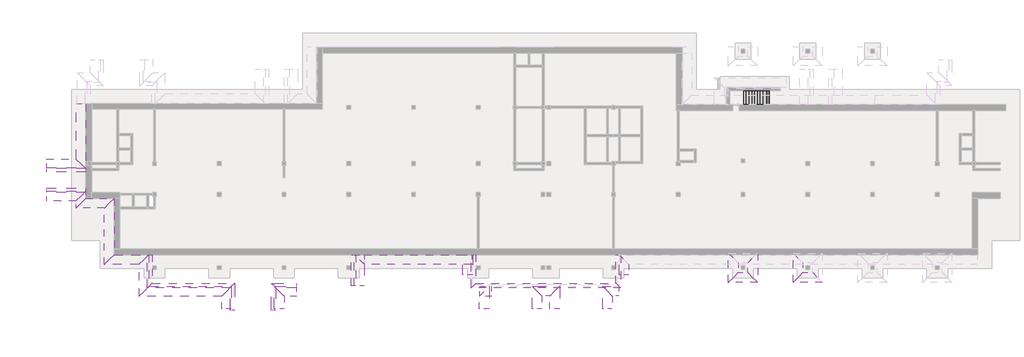
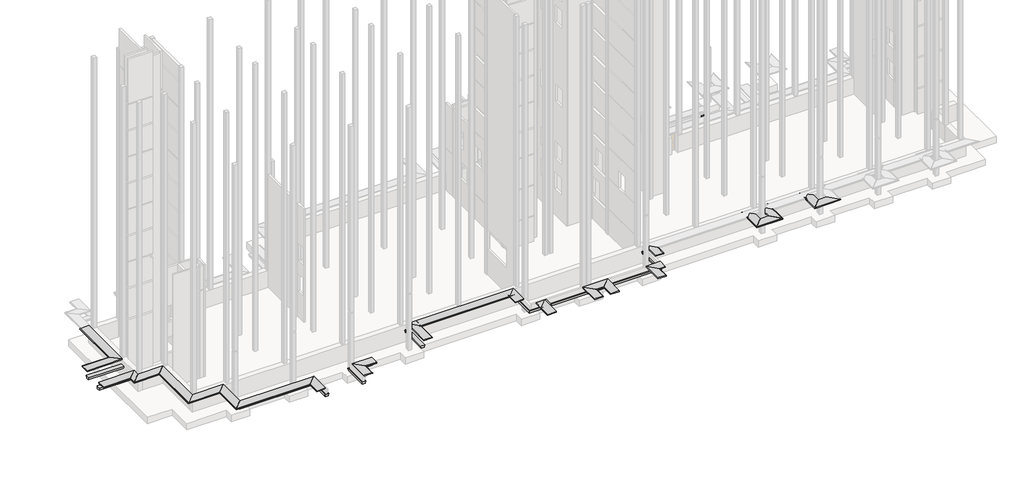
# One storey, part 7 of 9: 39 proxies, 1 stair flight.
"""IFC4 building model written with IfcOpenShell, lengths in millimetres."""

from ifc_helpers import new_model, si_unit, frame, origin, place, context, project, spatial, polyline, outline, extrude, faceted_brep, element, save

model = new_model("IFC4")

# Units and contexts
model_context = context("Model", 3, world=origin())
ifc_project = project(units=[si_unit("LENGTHUNIT", "METRE", prefix="MILLI")], contexts=[model_context])

# Site, building, storey
site = spatial("IfcSite", under=ifc_project)
building = spatial("IfcBuilding", under=site)
storey = spatial("IfcBuildingStorey", under=building, Elevation=-3300.0)

# Proxies
placement = place(None, origin())
element("IfcBuildingElementProxy", 1, Name="Wall Sweeps", at=placement, inside=storey, context=model_context, shape_type="Brep", body=[
    faceted_brep([(-46199.9887159, -10116.8920513, -1230.0), (-46239.9887159, -10156.8920513, -1230.0), (-46239.9887159, -10156.8920513, -1165.0), (-46227.4887159, -10144.3920513, -1143.3493649), (-46199.9887159, -10116.8920513, -1143.3493649), (-46199.9887159, -10116.8920513, -1150.0), (-45199.9887159, -9116.8920513, -1100.0), (-45199.9887159, -9116.8920513, -1230.0), (-46199.9887159, -16116.8920513, -1230.0), (-45199.9887159, -15116.8920513, -1230.0), (-45199.9887159, -15116.8920513, -1100.0), (-46199.9887159, -16116.8920513, -1150.0), (-46199.9887159, -16116.8920513, -1143.3493649), (-46227.4887159, -16144.3920513, -1143.3493649), (-46239.9887159, -16156.8920513, -1165.0), (-46239.9887159, -16156.8920513, -1230.0)], [[[0, 1, 2, 3, 4, 5, 6, 7]], [[8, 9, 10, 11, 12, 13, 14, 15]], [[1, 0, 8, 15]], [[2, 1, 15, 14]], [[3, 2, 14, 13]], [[4, 3, 13, 12]], [[5, 4, 12, 11]], [[6, 5, 11, 10]], [[7, 6, 10, 9]], [[0, 7, 9, 8]]]),
])
element("IfcBuildingElementProxy", 2, Name="Wall Sweeps", at=placement, inside=storey, context=model_context, shape_type="Brep", body=[
    faceted_brep([(-49199.9887159, -10116.8920513, -1230.0), (-49239.9887159, -10156.8920513, -1230.0), (-49239.9887159, -10156.8920513, -1165.0), (-49227.4887159, -10144.3920513, -1143.3493649), (-49199.9887159, -10116.8920513, -1143.3493649), (-49199.9887159, -10116.8920513, -1150.0), (-48199.9887159, -9116.8920513, -1100.0), (-48199.9887159, -9116.8920513, -1230.0), (-46199.9887159, -10116.8920513, -1230.0), (-45199.9887159, -9116.8920513, -1230.0), (-45199.9887159, -9116.8920513, -1100.0), (-46199.9887159, -10116.8920513, -1150.0), (-46199.9887159, -10116.8920513, -1143.3493649), (-46227.4887159, -10144.3920513, -1143.3493649), (-46239.9887159, -10156.8920513, -1165.0), (-46239.9887159, -10156.8920513, -1230.0)], [[[0, 1, 2, 3, 4, 5, 6, 7]], [[8, 9, 10, 11, 12, 13, 14, 15]], [[1, 0, 8, 15]], [[2, 1, 15, 14]], [[3, 2, 14, 13]], [[4, 3, 13, 12]], [[5, 4, 12, 11]], [[6, 5, 11, 10]], [[7, 6, 10, 9]], [[0, 7, 9, 8]]]),
])
element("IfcBuildingElementProxy", 3, Name="Wall Sweeps", at=placement, inside=storey, context=model_context, shape_type="Brep", body=[
    faceted_brep([(-42489.988716, -16116.8920513, -1230.0), (-41489.988716, -15116.8920513, -1230.0), (-41489.988716, -15116.8920513, -1100.0), (-42489.988716, -16116.8920513, -1150.0), (-42489.988716, -16116.8920513, -1143.3493649), (-42517.488716, -16144.3920513, -1143.3493649), (-42529.988716, -16156.8920513, -1165.0), (-42529.988716, -16156.8920513, -1230.0), (-46199.9887159, -16116.8920513, -1230.0), (-46239.9887159, -16156.8920513, -1230.0), (-46239.9887159, -16156.8920513, -1165.0), (-46227.4887159, -16144.3920513, -1143.3493649), (-46199.9887159, -16116.8920513, -1143.3493649), (-46199.9887159, -16116.8920513, -1150.0), (-45199.9887159, -15116.8920513, -1100.0), (-45199.9887159, -15116.8920513, -1230.0)], [[[0, 1, 2, 3, 4, 5, 6, 7]], [[8, 9, 10, 11, 12, 13, 14, 15]], [[1, 0, 8, 15]], [[2, 1, 15, 14]], [[3, 2, 14, 13]], [[4, 3, 13, 12]], [[5, 4, 12, 11]], [[6, 5, 11, 10]], [[7, 6, 10, 9]], [[0, 7, 9, 8]]]),
])
element("IfcBuildingElementProxy", 4, Name="Wall Sweeps", at=placement, inside=storey, context=model_context, shape_type="Brep", body=[
    faceted_brep([(-41139.988716, -15116.8920513, -1800.0), (-41214.988716, -15116.8920513, -2100.0), (-41564.988716, -15116.8920513, -2100.0), (-41639.988716, -15116.8920513, -1800.0), (-41489.988716, -15116.8920513, -1800.0), (-41289.988716, -15116.8920513, -1800.0), (-41139.988716, -18156.8920513, -1800.0), (-41639.988716, -18656.8920513, -1800.0), (-41564.988716, -18581.8920513, -2100.0), (-41214.988716, -18231.8920513, -2100.0)], [[[0, 1, 2, 3, 4, 5]], [[6, 7, 8, 9]], [[1, 0, 6, 9]], [[2, 1, 9, 8]], [[3, 2, 8, 7]], [[0, 5, 4, 3, 7, 6]]]),
])
element("IfcBuildingElementProxy", 5, Name="Wall Sweeps", at=placement, inside=storey, context=model_context, shape_type="Brep", body=[
    faceted_brep([(-42489.988716, -16116.8920513, -1230.0), (-42529.988716, -16156.8920513, -1230.0), (-42529.988716, -16156.8920513, -1165.0), (-42517.488716, -16144.3920513, -1143.3493649), (-42489.988716, -16116.8920513, -1143.3493649), (-42489.988716, -16116.8920513, -1150.0), (-41489.988716, -15116.8920513, -1100.0), (-41489.988716, -15116.8920513, -1230.0), (-42489.988716, -19506.8920513, -1230.0), (-41489.988716, -18506.8920513, -1230.0), (-41489.988716, -18506.8920513, -1100.0), (-42489.988716, -19506.8920513, -1150.0), (-42489.988716, -19506.8920513, -1143.3493649), (-42517.488716, -19534.3920513, -1143.3493649), (-42529.988716, -19546.8920513, -1165.0), (-42529.988716, -19546.8920513, -1230.0)], [[[0, 1, 2, 3, 4, 5, 6, 7]], [[8, 9, 10, 11, 12, 13, 14, 15]], [[1, 0, 8, 15]], [[2, 1, 15, 14]], [[3, 2, 14, 13]], [[4, 3, 13, 12]], [[5, 4, 12, 11]], [[6, 5, 11, 10]], [[7, 6, 10, 9]], [[0, 7, 9, 8]]]),
])
element("IfcBuildingElementProxy", 6, Name="Wall Sweeps", at=placement, inside=storey, context=model_context, shape_type="Brep", body=[
    faceted_brep([(-33689.9887159, -19506.8920513, -1230.0), (-33729.9887159, -19546.8920513, -1230.0), (-33729.9887159, -19546.8920513, -1165.0), (-33717.4887159, -19534.3920513, -1143.3493649), (-33689.9887159, -19506.8920513, -1143.3493649), (-33689.9887159, -19506.8920513, -1150.0), (-32689.9887159, -18506.8920513, -1100.0), (-32689.9887159, -18506.8920513, -1230.0), (-33689.9887159, -20906.8920513, -1230.0), (-32689.9887159, -20906.8920513, -1230.0), (-32689.9887159, -20906.8920513, -1200.0), (-32689.9887159, -20906.8920513, -1100.0), (-32799.9887159, -20906.8920513, -1105.5), (-33689.9887159, -20906.8920513, -1150.0), (-33689.9887159, -20906.8920513, -1143.3493649), (-33717.4887159, -20906.8920513, -1143.3493649), (-33729.9887159, -20906.8920513, -1165.0), (-33729.9887159, -20906.8920513, -1230.0)], [[[0, 1, 2, 3, 4, 5, 6, 7]], [[8, 9, 10, 11, 12, 13, 14, 15, 16, 17]], [[1, 0, 8, 17]], [[2, 1, 17, 16]], [[3, 2, 16, 15]], [[4, 3, 15, 14]], [[5, 4, 14, 13]], [[6, 5, 13, 12, 11]], [[7, 6, 11, 10, 9]], [[0, 7, 9, 8]]]),
])
element("IfcBuildingElementProxy", 7, Name="Wall Sweeps", at=placement, inside=storey, context=model_context, shape_type="Brep", body=[
    faceted_brep([(-27109.9887159, -19506.8920513, -1230.0), (-28109.9887159, -18506.8920513, -1230.0), (-28109.9887159, -18506.8920513, -1100.0), (-27109.9887159, -19506.8920513, -1150.0), (-27109.9887159, -19506.8920513, -1143.3493649), (-27082.4887159, -19534.3920513, -1143.3493649), (-27069.9887159, -19546.8920513, -1165.0), (-27069.9887159, -19546.8920513, -1230.0), (-27109.9887159, -20906.8920513, -1230.0), (-27069.9887159, -20906.8920513, -1230.0), (-27069.9887159, -20906.8920513, -1165.0), (-27082.4887159, -20906.8920513, -1143.3493649), (-27109.9887159, -20906.8920513, -1143.3493649), (-27109.9887159, -20906.8920513, -1150.0), (-27999.9887159, -20906.8920513, -1105.5), (-28109.9887159, -20906.8920513, -1100.0), (-28109.9887159, -20906.8920513, -1200.0), (-28109.9887159, -20906.8920513, -1230.0)], [[[0, 1, 2, 3, 4, 5, 6, 7]], [[8, 9, 10, 11, 12, 13, 14, 15, 16, 17]], [[1, 0, 8, 17]], [[2, 1, 17, 16, 15]], [[3, 2, 15, 14, 13]], [[4, 3, 13, 12]], [[5, 4, 12, 11]], [[6, 5, 11, 10]], [[7, 6, 10, 9]], [[0, 7, 9, 8]]]),
])
element("IfcBuildingElementProxy", 8, Name="Wall Sweeps", at=placement, inside=storey, context=model_context, shape_type="Brep", body=[
    faceted_brep([(-6639.988716, -15116.8920513, -1800.0), (-6714.988716, -15116.8920513, -2100.0), (-7064.988716, -15116.8920513, -2100.0), (-7139.988716, -15116.8920513, -1800.0), (-6989.988716, -15116.8920513, -1800.0), (-6789.988716, -15116.8920513, -1800.0), (-6639.988716, -18156.8920513, -1800.0), (-7139.988716, -18656.8920513, -1800.0), (-7064.988716, -18581.8920513, -2100.0), (-6714.988716, -18231.8920513, -2100.0)], [[[0, 1, 2, 3, 4, 5]], [[6, 7, 8, 9]], [[1, 0, 6, 9]], [[2, 1, 9, 8]], [[3, 2, 8, 7]], [[0, 5, 4, 3, 7, 6]]]),
])
element("IfcBuildingElementProxy", 9, Name="Wall Sweeps", at=placement, inside=storey, context=model_context, shape_type="Brep", body=[
    faceted_brep([(-6639.988716, -18156.8920513, -1800.0), (-6714.988716, -18231.8920513, -2100.0), (-7064.988716, -18581.8920513, -2100.0), (-7139.988716, -18656.8920513, -1800.0), (8260.0112842, -18156.8920513, -1800.0), (8760.0112842, -18656.8920513, -1800.0), (8685.0112842, -18581.8920513, -2100.0), (8335.0112842, -18231.8920513, -2100.0)], [[[0, 1, 2, 3]], [[4, 5, 6, 7]], [[1, 0, 4, 7]], [[2, 1, 7, 6]], [[3, 2, 6, 5]], [[0, 3, 5, 4]]]),
])
element("IfcBuildingElementProxy", 10, Name="Wall Sweeps", at=placement, inside=storey, context=model_context, shape_type="Brep", body=[
    faceted_brep([(8260.0112842, -15116.8920513, -1800.0), (8410.0112842, -15116.8920513, -1800.0), (8610.0112842, -15116.8920513, -1800.0), (8760.0112842, -15116.8920513, -1800.0), (8685.0112842, -15116.8920513, -2100.0), (8335.0112842, -15116.8920513, -2100.0), (8260.0112842, -18156.8920513, -1800.0), (8335.0112842, -18231.8920513, -2100.0), (8685.0112842, -18581.8920513, -2100.0), (8760.0112842, -18656.8920513, -1800.0)], [[[0, 1, 2, 3, 4, 5]], [[6, 7, 8, 9]], [[0, 5, 7, 6]], [[5, 4, 8, 7]], [[4, 3, 9, 8]], [[3, 2, 1, 0, 6, 9]]]),
])
element("IfcBuildingElementProxy", 11, Name="Wall Sweeps", at=placement, inside=storey, context=model_context, shape_type="Brep", body=[
    faceted_brep([(-7989.988716, -15116.8920513, -1230.0), (-8029.988716, -15116.8920513, -1230.0), (-8029.988716, -15116.8920513, -1165.0), (-8017.488716, -15116.8920513, -1143.3493649), (-7989.988716, -15116.8920513, -1143.3493649), (-7989.988716, -15116.8920513, -1150.0), (-7099.988716, -15116.8920513, -1105.5), (-6989.988716, -15116.8920513, -1100.0), (-6989.988716, -15116.8920513, -1200.0), (-6989.988716, -15116.8920513, -1230.0), (-7989.988716, -17296.8920513, -1230.0), (-6989.988716, -17296.8920513, -1230.0), (-6989.988716, -17296.8920513, -1200.0), (-6989.988716, -17296.8920513, -1100.0), (-7099.988716, -17296.8920513, -1105.5), (-7989.988716, -17296.8920513, -1150.0), (-7989.988716, -17296.8920513, -1143.3493649), (-8017.488716, -17296.8920513, -1143.3493649), (-8029.988716, -17296.8920513, -1165.0), (-8029.988716, -17296.8920513, -1230.0)], [[[0, 1, 2, 3, 4, 5, 6, 7, 8, 9]], [[10, 11, 12, 13, 14, 15, 16, 17, 18, 19]], [[1, 0, 10, 19]], [[2, 1, 19, 18]], [[3, 2, 18, 17]], [[4, 3, 17, 16]], [[5, 4, 16, 15]], [[7, 6, 5, 15, 14, 13]], [[9, 8, 7, 13, 12, 11]], [[0, 9, 11, 10]]]),
])
element("IfcBuildingElementProxy", 12, Name="Wall Sweeps", at=placement, inside=storey, context=model_context, shape_type="Brep", body=[
    faceted_brep([(-7099.988716, -16116.8920513, -1230.0), (-7099.988716, -15116.8920513, -1230.0), (-7099.988716, -15116.8920513, -1200.0), (-7099.988716, -15116.8920513, -1100.0), (-7099.988716, -16116.8920513, -1150.0), (-7099.988716, -16116.8920513, -1143.3493649), (-7099.988716, -16144.3920513, -1143.3493649), (-7099.988716, -16156.8920513, -1165.0), (-7099.988716, -16156.8920513, -1230.0), (-18549.9887159, -16116.8920513, -1230.0), (-18549.9887159, -15116.8920513, -1230.0), (-18549.9887159, -15116.8920513, -1165.0), (-18562.4887159, -15116.8920513, -1143.3493649), (-18589.9887159, -15116.8920513, -1143.3493649), (-18589.9887159, -15116.8920513, -1150.0), (-19479.9887159, -15116.8920513, -1105.5), (-19479.9887159, -15116.8920513, -1100.0), (-19479.9887159, -15226.8920513, -1105.5), (-18589.9887159, -16116.8920513, -1150.0), (-18589.9887159, -15983.8793495, -1143.3493649), (-18562.4887159, -15983.8793495, -1143.3493649), (-18558.6489699, -16116.8920513, -1150.0), (-18562.4887159, -16116.8920513, -1143.3493649), (-18562.4887159, -16144.3920513, -1143.3493649), (-18549.9887159, -16156.8920513, -1165.0), (-18549.9887159, -16156.8920513, -1230.0)], [[[0, 1, 2, 3, 4, 5, 6, 7, 8]], [[1, 0, 9, 10]], [[3, 2, 1, 10, 11, 12, 13, 14, 15, 16]], [[4, 3, 16, 17, 18, 19, 20, 21]], [[5, 4, 21, 22]], [[6, 5, 22, 23]], [[7, 6, 23, 24]], [[8, 7, 24, 25]], [[0, 8, 25, 9]], [[16, 15, 17]], [[24, 11, 10, 9, 25]], [[11, 24, 23, 22, 21, 20, 12]], [[12, 20, 19, 13]], [[18, 14, 13, 19]], [[14, 18, 17, 15]]]),
    faceted_brep([(-18723.0014178, -16116.8920513, -1143.3493649), (-18589.9887159, -16116.8920513, -1143.3493649), (-18589.9887159, -16116.8920513, -1150.0), (-18723.0014178, -16144.3920513, -1143.3493649), (-18589.9887159, -16144.3920513, -1143.3493649), (-18589.9887159, -16148.2317973, -1150.0)], [[[0, 1, 2]], [[1, 0, 3, 4]], [[4, 3, 5]], [[5, 2, 1, 4]], [[2, 5, 3, 0]]]),
])
element("IfcBuildingElementProxy", 13, Name="Wall Sweeps", at=placement, inside=storey, context=model_context, shape_type="Brep", body=[
    faceted_brep([(9610.0112841, -17296.8920513, -1230.0), (9650.0112841, -17296.8920513, -1230.0), (9650.0112841, -17296.8920513, -1165.0), (9637.5112841, -17296.8920513, -1143.3493649), (9610.0112841, -17296.8920513, -1143.3493649), (9610.0112841, -17296.8920513, -1150.0), (8720.0112841, -17296.8920513, -1105.5), (8610.0112841, -17296.8920513, -1100.0), (8610.0112841, -17296.8920513, -1200.0), (8610.0112841, -17296.8920513, -1230.0), (9610.0112841, -16116.8920513, -1230.0), (8610.0112841, -15116.8920513, -1230.0), (8610.0112841, -15116.8920513, -1100.0), (9610.0112841, -16116.8920513, -1150.0), (9610.0112841, -16116.8920513, -1143.3493649), (9637.5112841, -16144.3920513, -1143.3493649), (9650.0112841, -16156.8920513, -1165.0), (9650.0112841, -16156.8920513, -1230.0)], [[[0, 1, 2, 3, 4, 5, 6, 7, 8, 9]], [[10, 11, 12, 13, 14, 15, 16, 17]], [[1, 0, 10, 17]], [[2, 1, 17, 16]], [[3, 2, 16, 15]], [[4, 3, 15, 14]], [[5, 4, 14, 13]], [[7, 6, 5, 13, 12]], [[9, 8, 7, 12, 11]], [[0, 9, 11, 10]]]),
])
element("IfcBuildingElementProxy", 14, Name="Wall Sweeps", at=placement, inside=storey, context=model_context, shape_type="SweptSolid", body=[
    extrude(outline(polyline([(-19506.8920513, -1230.0), (-19546.8920513, -1230.0), (-19546.8920513, -1165.0), (-19534.3920513, -1143.3493649), (-19506.8920513, -1143.3493649), (-19506.8920513, -1150.0), (-18506.8920513, -1100.0), (-18506.8920513, -1230.0), (-19506.8920513, -1230.0)])), frame((-6239.9887159, 0.0, 0.0), z_axis=(1.0, 0.0, 0.0), x_axis=(0.0, 1.0, 0.0)), (0.0, 0.0, 1.0), 1210.0),
])
element("IfcBuildingElementProxy", 15, Name="Wall Sweeps", at=placement, inside=storey, context=model_context, shape_type="Brep", body=[
    faceted_brep([(-6229.9887159, -19506.8920513, -1230.0), (-6269.9887159, -19546.8920513, -1230.0), (-6269.9887159, -19546.8920513, -1165.0), (-6257.4887159, -19534.3920513, -1143.3493649), (-6229.9887159, -19506.8920513, -1143.3493649), (-6229.9887159, -19506.8920513, -1150.0), (-5229.9887159, -18506.8920513, -1100.0), (-5229.9887159, -18506.8920513, -1230.0), (-6229.9887159, -20906.8920513, -1230.0), (-5229.9887159, -20906.8920513, -1230.0), (-5229.9887159, -20906.8920513, -1200.0), (-5229.9887159, -20906.8920513, -1100.0), (-5339.9887159, -20906.8920513, -1105.5), (-6229.9887159, -20906.8920513, -1150.0), (-6229.9887159, -20906.8920513, -1143.3493649), (-6257.4887159, -20906.8920513, -1143.3493649), (-6269.9887159, -20906.8920513, -1165.0), (-6269.9887159, -20906.8920513, -1230.0), (-5229.9887159, -18616.8920513, -1100.0)], [[[0, 1, 2, 3, 4, 5, 6, 7]], [[8, 9, 10, 11, 12, 13, 14, 15, 16, 17]], [[1, 0, 8, 17]], [[2, 1, 17, 16]], [[3, 2, 16, 15]], [[4, 3, 15, 14]], [[5, 4, 14, 13]], [[6, 5, 13, 12, 11, 18]], [[7, 6, 18, 11, 10, 9]], [[0, 7, 9, 8]]]),
])
element("IfcBuildingElementProxy", 16, Name="Wall Sweeps", at=placement, inside=storey, context=model_context, shape_type="Brep", body=[
    faceted_brep([(350.0112841, -19496.8920513, -1230.0), (-649.9887159, -18496.8920513, -1230.0), (-649.9887159, -18496.8920513, -1100.0), (350.0112841, -19496.8920513, -1150.0), (350.0112841, -19496.8920513, -1143.3493649), (377.5112841, -19524.3920513, -1143.3493649), (390.0112841, -19536.8920513, -1165.0), (390.0112841, -19536.8920513, -1230.0), (350.0112841, -20906.8920513, -1230.0), (390.0112841, -20906.8920513, -1230.0), (390.0112841, -20906.8920513, -1165.0), (377.5112841, -20906.8920513, -1143.3493649), (350.0112841, -20906.8920513, -1143.3493649), (350.0112841, -20906.8920513, -1150.0), (-539.9887159, -20906.8920513, -1105.5), (-649.9887159, -20906.8920513, -1100.0), (-649.9887159, -20906.8920513, -1200.0), (-649.9887159, -20906.8920513, -1230.0)], [[[0, 1, 2, 3, 4, 5, 6, 7]], [[8, 9, 10, 11, 12, 13, 14, 15, 16, 17]], [[1, 0, 8, 17]], [[2, 1, 17, 16, 15]], [[3, 2, 15, 14, 13]], [[4, 3, 13, 12]], [[5, 4, 12, 11]], [[6, 5, 11, 10]], [[7, 6, 10, 9]], [[0, 7, 9, 8]]]),
])
element("IfcBuildingElementProxy", 17, Name="Wall Sweeps", at=placement, inside=storey, context=model_context, shape_type="Brep", body=[
    faceted_brep([(350.0112841, -19496.8920513, -1230.0), (390.0112841, -19536.8920513, -1230.0), (390.0112841, -19536.8920513, -1165.0), (377.5112841, -19524.3920513, -1143.3493649), (350.0112841, -19496.8920513, -1143.3493649), (350.0112841, -19496.8920513, -1150.0), (-649.9887159, -18496.8920513, -1100.0), (-649.9887159, -18496.8920513, -1230.0), (1270.0112841, -19496.8920513, -1230.0), (2270.0112841, -18496.8920513, -1230.0), (2270.0112841, -18496.8920513, -1100.0), (1270.0112841, -19496.8920513, -1150.0), (1270.0112841, -19496.8920513, -1143.3493649), (1242.5112841, -19524.3920513, -1143.3493649), (1230.0112841, -19536.8920513, -1165.0), (1230.0112841, -19536.8920513, -1230.0), (-539.9887159, -18496.8920513, -1100.0)], [[[0, 1, 2, 3, 4, 5, 6, 7]], [[8, 9, 10, 11, 12, 13, 14, 15]], [[1, 0, 8, 15]], [[2, 1, 15, 14]], [[3, 2, 14, 13]], [[4, 3, 13, 12]], [[5, 4, 12, 11]], [[6, 5, 11, 10, 16]], [[7, 6, 16, 10, 9]], [[0, 7, 9, 8]]]),
])
element("IfcBuildingElementProxy", 18, Name="Wall Sweeps", at=placement, inside=storey, context=model_context, shape_type="Brep", body=[
    faceted_brep([(7850.0112841, -19496.8920513, -1230.0), (7890.0112841, -19536.8920513, -1230.0), (7890.0112841, -19536.8920513, -1165.0), (7877.5112841, -19524.3920513, -1143.3493649), (7850.0112841, -19496.8920513, -1143.3493649), (7850.0112841, -19496.8920513, -1150.0), (6850.0112841, -18496.8920513, -1100.0), (6850.0112841, -18496.8920513, -1230.0), (8565.0112841, -19496.8920513, -1230.0), (8565.0112841, -18496.8920513, -1230.0), (8565.0112841, -18496.8920513, -1200.0), (8565.0112841, -18496.8920513, -1100.0), (8565.0112841, -18606.8920513, -1105.5), (8565.0112841, -19496.8920513, -1150.0), (8565.0112841, -19496.8920513, -1143.3493649), (8565.0112841, -19524.3920513, -1143.3493649), (8565.0112841, -19536.8920513, -1165.0), (8565.0112841, -19536.8920513, -1230.0)], [[[0, 1, 2, 3, 4, 5, 6, 7]], [[8, 9, 10, 11, 12, 13, 14, 15, 16, 17]], [[1, 0, 8, 17]], [[2, 1, 17, 16]], [[3, 2, 16, 15]], [[4, 3, 15, 14]], [[5, 4, 14, 13]], [[6, 5, 13, 12, 11]], [[7, 6, 11, 10, 9]], [[0, 7, 9, 8]]]),
])
element("IfcBuildingElementProxy", 19, Name="Wall Sweeps", at=placement, inside=storey, context=model_context, shape_type="Brep", body=[
    faceted_brep([(1270.0112841, -19496.8920513, -1230.0), (1230.0112841, -19536.8920513, -1230.0), (1230.0112841, -19536.8920513, -1165.0), (1242.5112841, -19524.3920513, -1143.3493649), (1270.0112841, -19496.8920513, -1143.3493649), (1270.0112841, -19496.8920513, -1150.0), (2270.0112841, -18496.8920513, -1100.0), (2270.0112841, -18496.8920513, -1230.0), (1270.0112841, -20906.8920513, -1230.0), (2270.0112841, -20906.8920513, -1230.0), (2270.0112841, -20906.8920513, -1200.0), (2270.0112841, -20906.8920513, -1100.0), (2160.0112841, -20906.8920513, -1105.5), (1270.0112841, -20906.8920513, -1150.0), (1270.0112841, -20906.8920513, -1143.3493649), (1242.5112841, -20906.8920513, -1143.3493649), (1230.0112841, -20906.8920513, -1165.0), (1230.0112841, -20906.8920513, -1230.0), (2270.0112841, -18606.8920513, -1100.0)], [[[0, 1, 2, 3, 4, 5, 6, 7]], [[8, 9, 10, 11, 12, 13, 14, 15, 16, 17]], [[1, 0, 8, 17]], [[2, 1, 17, 16]], [[3, 2, 16, 15]], [[4, 3, 15, 14]], [[5, 4, 14, 13]], [[6, 5, 13, 12, 11, 18]], [[7, 6, 18, 11, 10, 9]], [[0, 7, 9, 8]]]),
])
element("IfcBuildingElementProxy", 20, Name="Wall Sweeps", at=placement, inside=storey, context=model_context, shape_type="Brep", body=[
    faceted_brep([(7850.0112841, -19496.8920513, -1230.0), (6850.0112841, -18496.8920513, -1230.0), (6850.0112841, -18496.8920513, -1100.0), (7850.0112841, -19496.8920513, -1150.0), (7850.0112841, -19496.8920513, -1143.3493649), (7877.5112841, -19524.3920513, -1143.3493649), (7890.0112841, -19536.8920513, -1165.0), (7890.0112841, -19536.8920513, -1230.0), (7850.0112841, -20906.8920513, -1230.0), (7890.0112841, -20906.8920513, -1230.0), (7890.0112841, -20906.8920513, -1165.0), (7877.5112841, -20906.8920513, -1143.3493649), (7850.0112841, -20906.8920513, -1143.3493649), (7850.0112841, -20906.8920513, -1150.0), (6960.0112841, -20906.8920513, -1105.5), (6850.0112841, -20906.8920513, -1100.0), (6850.0112841, -20906.8920513, -1200.0), (6850.0112841, -20906.8920513, -1230.0), (6850.0112841, -18606.8920513, -1100.0)], [[[0, 1, 2, 3, 4, 5, 6, 7]], [[8, 9, 10, 11, 12, 13, 14, 15, 16, 17]], [[1, 0, 8, 17]], [[2, 1, 17, 16, 15, 18]], [[3, 2, 18, 15, 14, 13]], [[4, 3, 13, 12]], [[5, 4, 12, 11]], [[6, 5, 11, 10]], [[7, 6, 10, 9]], [[0, 7, 9, 8]]]),
])
element("IfcBuildingElementProxy", 21, Name="Wall Sweeps", at=placement, inside=storey, context=model_context, shape_type="Brep", body=[
    faceted_brep([(-32339.9887159, -18156.8920513, -1800.0), (-32414.9887159, -18231.8920513, -2100.0), (-32764.9887159, -18581.8920513, -2100.0), (-32839.9887159, -18656.8920513, -1800.0), (-32339.9887159, -21046.8920513, -1800.0), (-32489.9887159, -21046.8920513, -1800.0), (-32689.9887159, -21046.8920513, -1800.0), (-32839.9887159, -21046.8920513, -1800.0), (-32764.9887159, -21046.8920513, -2100.0), (-32414.9887159, -21046.8920513, -2100.0)], [[[0, 1, 2, 3]], [[4, 5, 6, 7, 8, 9]], [[1, 0, 4, 9]], [[2, 1, 9, 8]], [[3, 2, 8, 7]], [[0, 3, 7, 6, 5, 4]]]),
])
element("IfcBuildingElementProxy", 22, Name="Wall Sweeps", at=placement, inside=storey, context=model_context, shape_type="Brep", body=[
    faceted_brep([(-28459.9887159, -18156.8920513, -1800.0), (-27959.9887159, -18656.8920513, -1800.0), (-28034.9887159, -18581.8920513, -2100.0), (-28384.9887159, -18231.8920513, -2100.0), (-28459.9887159, -21046.8920513, -1800.0), (-28384.9887159, -21046.8920513, -2100.0), (-28034.9887159, -21046.8920513, -2100.0), (-27959.9887159, -21046.8920513, -1800.0), (-28109.9887159, -21046.8920513, -1800.0), (-28309.9887159, -21046.8920513, -1800.0)], [[[0, 1, 2, 3]], [[4, 5, 6, 7, 8, 9]], [[0, 3, 5, 4]], [[3, 2, 6, 5]], [[2, 1, 7, 6]], [[1, 0, 4, 9, 8, 7]]]),
])
element("IfcBuildingElementProxy", 23, Name="Wall Sweeps", at=placement, inside=storey, context=model_context, shape_type="Brep", body=[
    faceted_brep([(-42489.988716, -19506.8920513, -1230.0), (-42529.988716, -19546.8920513, -1230.0), (-42529.988716, -19546.8920513, -1165.0), (-42517.488716, -19534.3920513, -1143.3493649), (-42489.988716, -19506.8920513, -1143.3493649), (-42489.988716, -19506.8920513, -1150.0), (-41489.988716, -18506.8920513, -1100.0), (-41489.988716, -18506.8920513, -1230.0), (-33729.9887159, -19546.8920513, -1230.0), (-33689.9887159, -19506.8920513, -1230.0), (-32689.9887159, -18506.8920513, -1230.0), (-32689.9887159, -18506.8920513, -1200.0), (-32799.9887159, -18616.8920513, -1200.0), (-32799.9887159, -18616.8920513, -1105.5), (-33689.9887159, -19506.8920513, -1150.0), (-33689.9887159, -19506.8920513, -1143.3493649), (-33717.4887159, -19534.3920513, -1143.3493649), (-33729.9887159, -19546.8920513, -1165.0), (-32799.9887159, -18506.8920513, -1100.0), (-41289.988716, -18506.8920513, -1100.0), (-32799.9887159, -18506.8920513, -1200.0)], [[[0, 1, 2, 3, 4, 5, 6, 7]], [[8, 9, 10, 11, 12, 13, 14, 15, 16, 17]], [[1, 0, 9, 8]], [[2, 1, 8, 17]], [[3, 2, 17, 16]], [[4, 3, 16, 15]], [[5, 4, 15, 14]], [[6, 5, 14, 13, 18, 19]], [[7, 6, 19, 18, 20, 11, 10]], [[0, 7, 10, 9]], [[12, 20, 18, 13]], [[20, 12, 11]]]),
])
element("IfcBuildingElementProxy", 24, Name="Wall Sweeps", at=placement, inside=storey, context=model_context, shape_type="Brep", body=[
    faceted_brep([(-41139.988716, -18156.8920513, -1800.0), (-41214.988716, -18231.8920513, -2100.0), (-41564.988716, -18581.8920513, -2100.0), (-41639.988716, -18656.8920513, -1800.0), (-32339.9887159, -18156.8920513, -1800.0), (-32839.9887159, -18656.8920513, -1800.0), (-32764.9887159, -18581.8920513, -2100.0), (-32414.9887159, -18231.8920513, -2100.0)], [[[0, 1, 2, 3]], [[4, 5, 6, 7]], [[1, 0, 4, 7]], [[2, 1, 7, 6]], [[3, 2, 6, 5]], [[0, 3, 5, 4]]]),
])
element("IfcBuildingElementProxy", 25, Name="Wall Sweeps", at=placement, inside=storey, context=model_context, shape_type="Brep", body=[
    faceted_brep([(20300.0112841, -14996.8920513, -1230.0), (20260.0112841, -14956.8920513, -1230.0), (20260.0112841, -14956.8920513, -1165.0), (20272.5112841, -14969.3920513, -1143.3493649), (20300.0112841, -14996.8920513, -1143.3493649), (20300.0112841, -14996.8920513, -1150.0), (21300.0112841, -15996.8920513, -1100.0), (21300.0112841, -15996.8920513, -1230.0), (20300.0112841, -18016.8920513, -1230.0), (21300.0112841, -17016.8920513, -1230.0), (21300.0112841, -17016.8920513, -1100.0), (20300.0112841, -18016.8920513, -1150.0), (20300.0112841, -18016.8920513, -1143.3493649), (20272.5112841, -18044.3920513, -1143.3493649), (20260.0112841, -18056.8920513, -1165.0), (20260.0112841, -18056.8920513, -1230.0)], [[[0, 1, 2, 3, 4, 5, 6, 7]], [[8, 9, 10, 11, 12, 13, 14, 15]], [[1, 0, 8, 15]], [[2, 1, 15, 14]], [[3, 2, 14, 13]], [[4, 3, 13, 12]], [[5, 4, 12, 11]], [[6, 5, 11, 10]], [[7, 6, 10, 9]], [[0, 7, 9, 8]]]),
])
element("IfcBuildingElementProxy", 26, Name="Wall Sweeps", at=placement, inside=storey, context=model_context, shape_type="Brep", body=[
    faceted_brep([(23320.0112841, -18016.8920513, -1230.0), (22320.0112841, -17016.8920513, -1230.0), (22320.0112841, -17016.8920513, -1100.0), (23320.0112841, -18016.8920513, -1150.0), (23320.0112841, -18016.8920513, -1143.3493649), (23347.5112841, -18044.3920513, -1143.3493649), (23360.0112841, -18056.8920513, -1165.0), (23360.0112841, -18056.8920513, -1230.0), (20300.0112841, -18016.8920513, -1230.0), (20260.0112841, -18056.8920513, -1230.0), (20260.0112841, -18056.8920513, -1165.0), (20272.5112841, -18044.3920513, -1143.3493649), (20300.0112841, -18016.8920513, -1143.3493649), (20300.0112841, -18016.8920513, -1150.0), (21300.0112841, -17016.8920513, -1100.0), (21300.0112841, -17016.8920513, -1230.0)], [[[0, 1, 2, 3, 4, 5, 6, 7]], [[8, 9, 10, 11, 12, 13, 14, 15]], [[1, 0, 8, 15]], [[2, 1, 15, 14]], [[3, 2, 14, 13]], [[4, 3, 13, 12]], [[5, 4, 12, 11]], [[6, 5, 11, 10]], [[7, 6, 10, 9]], [[0, 7, 9, 8]]]),
])
element("IfcBuildingElementProxy", 27, Name="Wall Sweeps", at=placement, inside=storey, context=model_context, shape_type="Brep", body=[
    faceted_brep([(23320.0112841, -14996.8920513, -1230.0), (22320.0112841, -15996.8920513, -1230.0), (22320.0112841, -15996.8920513, -1100.0), (23320.0112841, -14996.8920513, -1150.0), (23320.0112841, -14996.8920513, -1143.3493649), (23347.5112841, -14969.3920513, -1143.3493649), (23360.0112841, -14956.8920513, -1165.0), (23360.0112841, -14956.8920513, -1230.0), (23320.0112841, -18016.8920513, -1230.0), (23360.0112841, -18056.8920513, -1230.0), (23360.0112841, -18056.8920513, -1165.0), (23347.5112841, -18044.3920513, -1143.3493649), (23320.0112841, -18016.8920513, -1143.3493649), (23320.0112841, -18016.8920513, -1150.0), (22320.0112841, -17016.8920513, -1100.0), (22320.0112841, -17016.8920513, -1230.0)], [[[0, 1, 2, 3, 4, 5, 6, 7]], [[8, 9, 10, 11, 12, 13, 14, 15]], [[1, 0, 8, 15]], [[2, 1, 15, 14]], [[3, 2, 14, 13]], [[4, 3, 13, 12]], [[5, 4, 12, 11]], [[6, 5, 11, 10]], [[7, 6, 10, 9]], [[0, 7, 9, 8]]]),
])
element("IfcBuildingElementProxy", 28, Name="Wall Sweeps", at=placement, inside=storey, context=model_context, shape_type="Brep", body=[
    faceted_brep([(27200.0112841, -14996.8920513, -1230.0), (27160.0112841, -14956.8920513, -1230.0), (27160.0112841, -14956.8920513, -1165.0), (27172.5112841, -14969.3920513, -1143.3493649), (27200.0112841, -14996.8920513, -1143.3493649), (27200.0112841, -14996.8920513, -1150.0), (28200.0112841, -15996.8920513, -1100.0), (28200.0112841, -15996.8920513, -1230.0), (27200.0112841, -18016.8920513, -1230.0), (28200.0112841, -17016.8920513, -1230.0), (28200.0112841, -17016.8920513, -1100.0), (27200.0112841, -18016.8920513, -1150.0), (27200.0112841, -18016.8920513, -1143.3493649), (27172.5112841, -18044.3920513, -1143.3493649), (27160.0112841, -18056.8920513, -1165.0), (27160.0112841, -18056.8920513, -1230.0)], [[[0, 1, 2, 3, 4, 5, 6, 7]], [[8, 9, 10, 11, 12, 13, 14, 15]], [[1, 0, 8, 15]], [[2, 1, 15, 14]], [[3, 2, 14, 13]], [[4, 3, 13, 12]], [[5, 4, 12, 11]], [[6, 5, 11, 10]], [[7, 6, 10, 9]], [[0, 7, 9, 8]]]),
])
element("IfcBuildingElementProxy", 29, Name="Wall Sweeps", at=placement, inside=storey, context=model_context, shape_type="Brep", body=[
    faceted_brep([(30220.0112841, -18016.8920513, -1230.0), (29220.0112841, -17016.8920513, -1230.0), (29220.0112841, -17016.8920513, -1100.0), (30220.0112841, -18016.8920513, -1150.0), (30220.0112841, -18016.8920513, -1143.3493649), (30247.5112841, -18044.3920513, -1143.3493649), (30260.0112841, -18056.8920513, -1165.0), (30260.0112841, -18056.8920513, -1230.0), (27200.0112841, -18016.8920513, -1230.0), (27160.0112841, -18056.8920513, -1230.0), (27160.0112841, -18056.8920513, -1165.0), (27172.5112841, -18044.3920513, -1143.3493649), (27200.0112841, -18016.8920513, -1143.3493649), (27200.0112841, -18016.8920513, -1150.0), (28200.0112841, -17016.8920513, -1100.0), (28200.0112841, -17016.8920513, -1230.0)], [[[0, 1, 2, 3, 4, 5, 6, 7]], [[8, 9, 10, 11, 12, 13, 14, 15]], [[1, 0, 8, 15]], [[2, 1, 15, 14]], [[3, 2, 14, 13]], [[4, 3, 13, 12]], [[5, 4, 12, 11]], [[6, 5, 11, 10]], [[7, 6, 10, 9]], [[0, 7, 9, 8]]]),
])
element("IfcBuildingElementProxy", 30, Name="Wall Sweeps", at=placement, inside=storey, context=model_context, shape_type="Brep", body=[
    faceted_brep([(-18589.9887159, -18461.8920513, -1230.0), (-18549.9887159, -18461.8920513, -1230.0), (-18549.9887159, -18461.8920513, -1165.0), (-18562.4887159, -18461.8920513, -1143.3493649), (-18589.9887159, -18461.8920513, -1143.3493649), (-18589.9887159, -18461.8920513, -1150.0), (-19479.9887159, -18461.8920513, -1105.5), (-19589.9887159, -18461.8920513, -1100.0), (-19589.9887159, -18461.8920513, -1200.0), (-19589.9887159, -18461.8920513, -1230.0), (-18589.9887159, -15116.8920513, -1230.0), (-19589.9887159, -15116.8920513, -1230.0), (-19589.9887159, -15116.8920513, -1200.0), (-19589.9887159, -15116.8920513, -1100.0), (-19479.9887159, -15116.8920513, -1105.5), (-18589.9887159, -15116.8920513, -1150.0), (-18589.9887159, -15116.8920513, -1143.3493649), (-18562.4887159, -15116.8920513, -1143.3493649), (-18549.9887159, -15116.8920513, -1165.0), (-18549.9887159, -15116.8920513, -1230.0), (-18549.9887159, -16116.8920513, -1230.0), (-18549.9887159, -16156.8920513, -1230.0), (-18549.9887159, -16156.8920513, -1165.0), (-18562.4887159, -15983.8793495, -1143.3493649), (-18562.4887159, -16116.8920513, -1143.3493649), (-18562.4887159, -16144.3920513, -1143.3493649), (-18589.9887159, -15983.8793495, -1143.3493649), (-18589.9887159, -16116.8920513, -1143.3493649), (-18589.9887159, -16144.3920513, -1143.3493649), (-18589.9887159, -16148.2317973, -1150.0)], [[[0, 1, 2, 3, 4, 5, 6, 7, 8, 9]], [[10, 11, 12, 13, 14, 15, 16, 17, 18, 19]], [[1, 0, 10, 19, 20, 21]], [[2, 1, 21, 20, 19, 18, 22]], [[3, 2, 22, 18, 17, 23, 24, 25]], [[4, 3, 25, 24, 23, 17, 16, 26, 27, 28]], [[5, 4, 28, 27, 26, 16, 15, 29]], [[7, 6, 5, 29, 15, 14, 13]], [[9, 8, 7, 13, 12, 11]], [[0, 9, 11, 10]]]),
])
element("IfcBuildingElementProxy", 31, Name="Wall Sweeps", at=placement, inside=storey, context=model_context, shape_type="Brep", body=[
    faceted_brep([(-19939.9887159, -18461.8920513, -1800.0), (-19864.9887159, -18461.8920513, -2100.0), (-19514.9887159, -18461.8920513, -2100.0), (-19439.9887159, -18461.8920513, -1800.0), (-19589.9887159, -18461.8920513, -1800.0), (-19789.9887159, -18461.8920513, -1800.0), (-19939.9887159, -15116.8920513, -1800.0), (-19789.9887159, -15116.8920513, -1800.0), (-19589.9887159, -15116.8920513, -1800.0), (-19439.9887159, -15116.8920513, -1800.0), (-19514.9887159, -15116.8920513, -2100.0), (-19864.9887159, -15116.8920513, -2100.0)], [[[0, 1, 2, 3, 4, 5]], [[6, 7, 8, 9, 10, 11]], [[1, 0, 6, 11]], [[2, 1, 11, 10]], [[3, 2, 10, 9]], [[0, 5, 4, 3, 9, 8, 7, 6]]]),
])
element("IfcBuildingElementProxy", 32, Name="Wall Sweeps", at=placement, inside=storey, context=model_context, shape_type="Brep", body=[
    faceted_brep([(-49199.9887159, -4946.8920513, -1230.0), (-49239.9887159, -4906.8920513, -1230.0), (-49239.9887159, -4906.8920513, -1165.0), (-49227.4887159, -4919.3920513, -1143.3493649), (-49199.9887159, -4946.8920513, -1143.3493649), (-49199.9887159, -4946.8920513, -1150.0), (-48199.9887159, -5946.8920513, -1100.0), (-48199.9887159, -5946.8920513, -1230.0), (-52389.9887159, -4946.8920513, -1230.0), (-52389.9887159, -5946.8920513, -1230.0), (-52389.9887159, -5946.8920513, -1200.0), (-52389.9887159, -5946.8920513, -1100.0), (-52389.9887159, -5836.8920513, -1105.5), (-52389.9887159, -4946.8920513, -1150.0), (-52389.9887159, -4946.8920513, -1143.3493649), (-52389.9887159, -4919.3920513, -1143.3493649), (-52389.9887159, -4906.8920513, -1165.0), (-52389.9887159, -4906.8920513, -1230.0)], [[[0, 1, 2, 3, 4, 5, 6, 7]], [[8, 9, 10, 11, 12, 13, 14, 15, 16, 17]], [[0, 7, 9, 8]], [[7, 6, 11, 10, 9]], [[6, 5, 13, 12, 11]], [[5, 4, 14, 13]], [[4, 3, 15, 14]], [[3, 2, 16, 15]], [[2, 1, 17, 16]], [[1, 0, 8, 17]]]),
])
element("IfcBuildingElementProxy", 33, Name="Wall Sweeps", at=placement, inside=storey, context=model_context, shape_type="Brep", body=[
    faceted_brep([(-48199.9887159, -6296.8920513, -1800.0), (-48199.9887159, -6221.8920513, -2100.0), (-48199.9887159, -5871.8920513, -2100.0), (-48199.9887159, -5796.8920513, -1800.0), (-48199.9887159, -5946.8920513, -1800.0), (-48199.9887159, -6146.8920513, -1800.0), (-52389.9887159, -6296.8920513, -1800.0), (-52389.9887159, -6146.8920513, -1800.0), (-52389.9887159, -5946.8920513, -1800.0), (-52389.9887159, -5796.8920513, -1800.0), (-52389.9887159, -5871.8920513, -2100.0), (-52389.9887159, -6221.8920513, -2100.0)], [[[0, 1, 2, 3, 4, 5]], [[6, 7, 8, 9, 10, 11]], [[0, 5, 4, 3, 9, 8, 7, 6]], [[3, 2, 10, 9]], [[2, 1, 11, 10]], [[1, 0, 6, 11]]]),
])
element("IfcBuildingElementProxy", 34, Name="Wall Sweeps", at=placement, inside=storey, context=model_context, shape_type="Brep", body=[
    faceted_brep([(-49199.9887159, -9346.8920513, -1230.0), (-48199.9887159, -8346.8920513, -1230.0), (-48199.9887159, -8346.8920513, -1100.0), (-49199.9887159, -9346.8920513, -1150.0), (-49199.9887159, -9346.8920513, -1143.3493649), (-49227.4887159, -9374.3920513, -1143.3493649), (-49239.9887159, -9386.8920513, -1165.0), (-49239.9887159, -9386.8920513, -1230.0), (-52389.9887159, -9346.8920513, -1230.0), (-52389.9887159, -9386.8920513, -1230.0), (-52389.9887159, -9386.8920513, -1165.0), (-52389.9887159, -9374.3920513, -1143.3493649), (-52389.9887159, -9346.8920513, -1143.3493649), (-52389.9887159, -9346.8920513, -1150.0), (-52389.9887159, -8456.8920513, -1105.5), (-52389.9887159, -8346.8920513, -1100.0), (-52389.9887159, -8346.8920513, -1200.0), (-52389.9887159, -8346.8920513, -1230.0)], [[[0, 1, 2, 3, 4, 5, 6, 7]], [[8, 9, 10, 11, 12, 13, 14, 15, 16, 17]], [[1, 0, 8, 17]], [[2, 1, 17, 16, 15]], [[3, 2, 15, 14, 13]], [[4, 3, 13, 12]], [[5, 4, 12, 11]], [[6, 5, 11, 10]], [[7, 6, 10, 9]], [[0, 7, 9, 8]]]),
])
element("IfcBuildingElementProxy", 35, Name="Wall Sweeps", at=placement, inside=storey, context=model_context, shape_type="Brep", body=[
    faceted_brep([(-48199.9887159, -7996.8920513, -1800.0), (-48199.9887159, -8146.8920513, -1800.0), (-48199.9887159, -8346.8920513, -1800.0), (-48199.9887159, -8496.8920513, -1800.0), (-48199.9887159, -8421.8920513, -2100.0), (-48199.9887159, -8071.8920513, -2100.0), (-52389.9887159, -7996.8920513, -1800.0), (-52389.9887159, -8071.8920513, -2100.0), (-52389.9887159, -8421.8920513, -2100.0), (-52389.9887159, -8496.8920513, -1800.0), (-52389.9887159, -8346.8920513, -1800.0), (-52389.9887159, -8146.8920513, -1800.0)], [[[0, 1, 2, 3, 4, 5]], [[6, 7, 8, 9, 10, 11]], [[3, 2, 1, 0, 6, 11, 10, 9]], [[4, 3, 9, 8]], [[5, 4, 8, 7]], [[0, 5, 7, 6]]]),
])
element("IfcBuildingElementProxy", 36, Name="Wall Sweeps", at=placement, inside=storey, context=model_context, shape_type="Brep", body=[
    faceted_brep([(-49199.9887159, -4946.8920513, -1230.0), (-48199.9887159, -5946.8920513, -1230.0), (-48199.9887159, -5946.8920513, -1100.0), (-49199.9887159, -4946.8920513, -1150.0), (-49199.9887159, -4946.8920513, -1143.3493649), (-49227.4887159, -4919.3920513, -1143.3493649), (-49239.9887159, -4906.8920513, -1165.0), (-49239.9887159, -4906.8920513, -1230.0), (-49199.9887159, 1003.1079487, -1230.0), (-49239.9887159, 1003.1079487, -1230.0), (-49239.9887159, 1003.1079487, -1165.0), (-49227.4887159, 1003.1079487, -1143.3493649), (-49199.9887159, 1003.1079487, -1143.3493649), (-49199.9887159, 1003.1079487, -1150.0), (-48199.9887159, 1003.1079487, -1100.0), (-48199.9887159, 1003.1079487, -1200.0), (-48199.9887159, 1003.1079487, -1230.0), (-49089.9887159, 1003.1079487, -1230.0), (-49129.9887159, 1003.1079487, -1230.0)], [[[0, 1, 2, 3, 4, 5, 6, 7]], [[8, 9, 10, 11, 12, 13, 14, 15, 16, 17, 18]], [[1, 0, 8, 18, 17, 16]], [[2, 1, 16, 15, 14]], [[3, 2, 14, 13]], [[4, 3, 13, 12]], [[5, 4, 12, 11]], [[6, 5, 11, 10]], [[7, 6, 10, 9]], [[0, 7, 9, 8]]]),
])
element("IfcBuildingElementProxy", 37, Name="Wall Sweeps", at=placement, inside=storey, context=model_context, shape_type="Brep", body=[
    faceted_brep([(-49199.9887159, -10116.8920513, -1230.0), (-48199.9887159, -9116.8920513, -1230.0), (-48199.9887159, -9116.8920513, -1100.0), (-49199.9887159, -10116.8920513, -1150.0), (-49199.9887159, -10116.8920513, -1143.3493649), (-49227.4887159, -10144.3920513, -1143.3493649), (-49239.9887159, -10156.8920513, -1165.0), (-49239.9887159, -10156.8920513, -1230.0), (-49199.9887159, -9346.8920513, -1230.0), (-49239.9887159, -9386.8920513, -1230.0), (-49239.9887159, -9386.8920513, -1165.0), (-49227.4887159, -9374.3920513, -1143.3493649), (-49199.9887159, -9346.8920513, -1143.3493649), (-49199.9887159, -9346.8920513, -1150.0), (-48199.9887159, -8346.8920513, -1100.0), (-48199.9887159, -8346.8920513, -1230.0)], [[[0, 1, 2, 3, 4, 5, 6, 7]], [[8, 9, 10, 11, 12, 13, 14, 15]], [[0, 7, 9, 8]], [[7, 6, 10, 9]], [[6, 5, 11, 10]], [[5, 4, 12, 11]], [[4, 3, 13, 12]], [[3, 2, 14, 13]], [[2, 1, 15, 14]], [[1, 0, 8, 15]]]),
])
element("IfcBuildingElementProxy", 38, Name="Wall Sweeps", at=placement, inside=storey, context=model_context, shape_type="Brep", body=[
    faceted_brep([(-25785.2208066, -19506.8920513, -1230.0), (-25785.2208066, -18506.8920513, -1230.0), (-25785.2208066, -18506.8920513, -1200.0), (-25785.2208066, -18506.8920513, -1100.0), (-25785.2208066, -18616.8920513, -1105.5), (-25785.2208066, -19506.8920513, -1150.0), (-25785.2208066, -19506.8920513, -1143.3493649), (-25785.2208066, -19534.3920513, -1143.3493649), (-25785.2208066, -19546.8920513, -1165.0), (-25785.2208066, -19546.8920513, -1230.0), (-27109.9887159, -19506.8920513, -1230.0), (-27069.9887159, -19546.8920513, -1230.0), (-27069.9887159, -19546.8920513, -1165.0), (-27082.4887159, -19534.3920513, -1143.3493649), (-27109.9887159, -19506.8920513, -1143.3493649), (-27109.9887159, -19506.8920513, -1150.0), (-28109.9887159, -18506.8920513, -1100.0), (-28109.9887159, -18506.8920513, -1230.0), (-27999.9887159, -18506.8920513, -1100.0)], [[[0, 1, 2, 3, 4, 5, 6, 7, 8, 9]], [[10, 11, 12, 13, 14, 15, 16, 17]], [[0, 9, 11, 10]], [[9, 8, 12, 11]], [[8, 7, 13, 12]], [[7, 6, 14, 13]], [[6, 5, 15, 14]], [[5, 4, 3, 18, 16, 15]], [[3, 2, 1, 17, 16, 18]], [[1, 0, 10, 17]]]),
])
element("IfcBuildingElementProxy", 39, Name="Wall Sweeps", at=placement, inside=storey, context=model_context, shape_type="Brep", body=[
    faceted_brep([(-25785.2208066, -18156.8920513, -1800.0), (-25785.2208066, -18306.8920513, -1800.0), (-25785.2208066, -18506.8920513, -1800.0), (-25785.2208066, -18656.8920513, -1800.0), (-25785.2208066, -18581.8920513, -2100.0), (-25785.2208066, -18231.8920513, -2100.0), (-28459.9887159, -18156.8920513, -1800.0), (-28384.9887159, -18231.8920513, -2100.0), (-28034.9887159, -18581.8920513, -2100.0), (-27959.9887159, -18656.8920513, -1800.0)], [[[0, 1, 2, 3, 4, 5]], [[6, 7, 8, 9]], [[0, 5, 7, 6]], [[5, 4, 8, 7]], [[4, 3, 9, 8]], [[3, 2, 1, 0, 6, 9]]]),
])

# Stair flight
element("IfcStairFlight", 40, at=placement, inside=storey, context=model_context, shape_type="Brep", body=[
    faceted_brep([(22172.7353401, 2403.1079487, -3150.0), (21872.7353401, 2403.1079487, -3150.0), (21872.7353401, 903.1079487, -3150.0), (22172.7353401, 903.1079487, -3150.0), (22172.7353401, 2403.1079487, -3300.0), (21872.7353401, 2403.1079487, -3300.0), (21872.7353401, 903.1079487, -3300.0), (22172.7353401, 903.1079487, -3300.0), (22472.7353401, 2403.1079487, -3000.0), (22172.7353401, 2403.1079487, -3000.0), (22172.7353401, 903.1079487, -3000.0), (22472.7353401, 903.1079487, -3000.0), (22472.7353401, 2403.1079487, -3167.7050983), (22208.1455367, 2403.1079487, -3300.0), (22208.1455367, 903.1079487, -3300.0), (22472.7353401, 903.1079487, -3167.7050983), (22772.7353401, 2403.1079487, -2850.0), (22472.7353401, 2403.1079487, -2850.0), (22472.7353401, 903.1079487, -2850.0), (22772.7353401, 903.1079487, -2850.0), (22772.7353401, 2403.1079487, -3017.7050983), (22772.7353401, 903.1079487, -3017.7050983), (23072.7353401, 2403.1079487, -2700.0), (22772.7353401, 2403.1079487, -2700.0), (22772.7353401, 903.1079487, -2700.0), (23072.7353401, 903.1079487, -2700.0), (23072.7353401, 2403.1079487, -2867.7050983), (23072.7353401, 903.1079487, -2867.7050983), (23372.7353401, 2403.1079487, -2550.0), (23072.7353401, 2403.1079487, -2550.0), (23072.7353401, 903.1079487, -2550.0), (23372.7353401, 903.1079487, -2550.0), (23372.7353401, 2403.1079487, -2717.7050983), (23372.7353401, 903.1079487, -2717.7050983), (23672.7353401, 2403.1079487, -2400.0), (23372.7353401, 2403.1079487, -2400.0), (23372.7353401, 903.1079487, -2400.0), (23672.7353401, 903.1079487, -2400.0), (23672.7353401, 2403.1079487, -2567.7050983), (23672.7353401, 903.1079487, -2567.7050983), (23972.7353401, 2403.1079487, -2250.0), (23672.7353401, 2403.1079487, -2250.0), (23672.7353401, 903.1079487, -2250.0), (23972.7353401, 903.1079487, -2250.0), (23972.7353401, 2403.1079487, -2417.7050983), (23972.7353401, 903.1079487, -2417.7050983), (24272.7353401, 2403.1079487, -2100.0), (23972.7353401, 2403.1079487, -2100.0), (23972.7353401, 903.1079487, -2100.0), (24272.7353401, 903.1079487, -2100.0), (24272.7353401, 2403.1079487, -2267.7050983), (24272.7353401, 903.1079487, -2267.7050983), (24572.7353401, 2403.1079487, -1950.0), (24272.7353401, 2403.1079487, -1950.0), (24272.7353401, 903.1079487, -1950.0), (24572.7353401, 903.1079487, -1950.0), (24572.7353401, 2403.1079487, -2117.7050983), (24572.7353401, 903.1079487, -2117.7050983), (24872.7353401, 2403.1079487, -1800.0), (24572.7353401, 2403.1079487, -1800.0), (24572.7353401, 903.1079487, -1800.0), (24872.7353401, 903.1079487, -1800.0), (24872.7353401, 2403.1079487, -1967.7050983), (24872.7353401, 903.1079487, -1967.7050983), (25172.7353401, 2403.1079487, -1650.0), (24872.7353401, 2403.1079487, -1650.0), (24872.7353401, 903.1079487, -1650.0), (25172.7353401, 903.1079487, -1650.0), (25172.7353401, 2403.1079487, -1817.7050983), (25172.7353401, 903.1079487, -1817.7050983), (25472.7353401, 2403.1079487, -1500.0), (25172.7353401, 2403.1079487, -1500.0), (25172.7353401, 903.1079487, -1500.0), (25472.7353401, 903.1079487, -1500.0), (25472.7353401, 2403.1079487, -1667.7050983), (25472.7353401, 903.1079487, -1667.7050983), (25772.7353401, 2403.1079487, -1350.0), (25472.7353401, 2403.1079487, -1350.0), (25472.7353401, 903.1079487, -1350.0), (25772.7353401, 903.1079487, -1350.0), (25772.7353401, 2403.1079487, -1517.7050983), (25772.7353401, 903.1079487, -1517.7050983)], [[[0, 1, 2, 3]], [[1, 0, 4, 5]], [[2, 1, 5, 6]], [[3, 2, 6, 7]], [[8, 9, 10, 11]], [[4, 0, 9, 8, 12, 13]], [[0, 3, 10, 9]], [[3, 7, 14, 15, 11, 10]], [[16, 17, 18, 19]], [[17, 16, 20, 12, 8]], [[8, 11, 18, 17]], [[19, 18, 11, 15, 21]], [[22, 23, 24, 25]], [[23, 22, 26, 20, 16]], [[16, 19, 24, 23]], [[25, 24, 19, 21, 27]], [[28, 29, 30, 31]], [[29, 28, 32, 26, 22]], [[22, 25, 30, 29]], [[31, 30, 25, 27, 33]], [[34, 35, 36, 37]], [[35, 34, 38, 32, 28]], [[28, 31, 36, 35]], [[37, 36, 31, 33, 39]], [[40, 41, 42, 43]], [[41, 40, 44, 38, 34]], [[34, 37, 42, 41]], [[43, 42, 37, 39, 45]], [[46, 47, 48, 49]], [[47, 46, 50, 44, 40]], [[40, 43, 48, 47]], [[49, 48, 43, 45, 51]], [[52, 53, 54, 55]], [[53, 52, 56, 50, 46]], [[46, 49, 54, 53]], [[55, 54, 49, 51, 57]], [[58, 59, 60, 61]], [[59, 58, 62, 56, 52]], [[52, 55, 60, 59]], [[61, 60, 55, 57, 63]], [[64, 65, 66, 67]], [[65, 64, 68, 62, 58]], [[58, 61, 66, 65]], [[67, 66, 61, 63, 69]], [[70, 71, 72, 73]], [[71, 70, 74, 68, 64]], [[64, 67, 72, 71]], [[73, 72, 67, 69, 75]], [[76, 77, 78, 79]], [[77, 76, 80, 74, 70]], [[70, 73, 78, 77]], [[79, 78, 73, 75, 81]], [[76, 79, 81, 80]], [[5, 4, 13, 14, 7, 6]], [[14, 13, 12, 20, 26, 32, 38, 44, 50, 56, 62, 68, 74, 80, 81, 75, 69, 63, 57, 51, 45, 39, 33, 27, 21, 15]]]),
])

save(model, "model.ifc")
